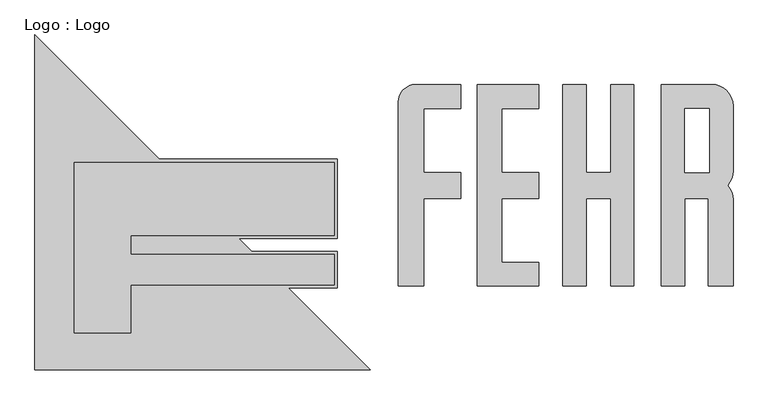
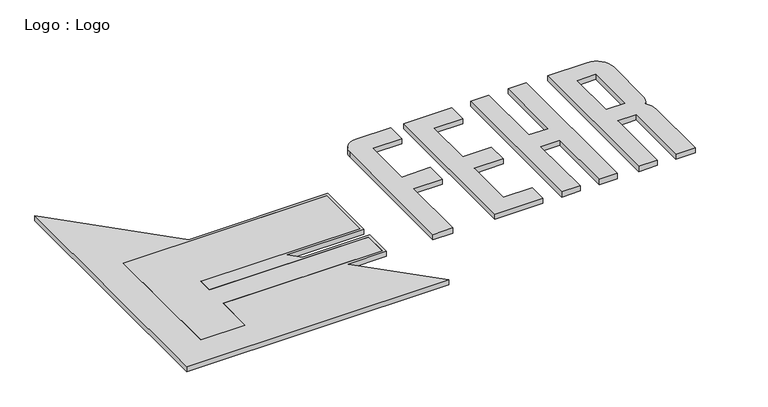
"""IFC4 building model written with IfcOpenShell, lengths in millimetres: proxy geometry, Logo : Logo."""

from ifc_helpers import new_model, si_unit, point, frame_2d, origin, origin_with_axes, place, context, project, spatial, polyline, circle_curve, trimmed, segment, composite_curve, outline, extrude, source, transform, mapped, element, save


def logo_logo_4f3515d3(model_context):
    return source(origin(), model_context, "Body", "SweptSolid", [
        extrude(outline(composite_curve([segment(polyline([(2667.8991009, 3991.6754913), (2929.6340726, 3991.6754913), (2929.6340726, 3849.8401629), (2713.3324777, 3849.8401629), (2713.3324777, 3474.9896621), (2929.6340726, 3474.9896621), (2929.6340726, 3323.0232519), (2713.3324777, 3323.0232519), (2713.3324777, 2810.6190547), (2564.6251206, 2810.6190547), (2564.6251206, 3888.401511)]), True, "CONTINUOUS"), segment(trimmed(circle_curve(frame_2d((2667.8991009, 3888.401511)), 103.2739803), [point((2564.6251206, 3888.401511))], [point((2667.8991009, 3991.6754913))], False, "CARTESIAN"), True, "CONTINUOUS")], self_intersect=False)), origin_with_axes(), (0.0, 0.0, 1.0), 40.0),
        extrude(outline(composite_curve([segment(polyline([(4524.85842, 3866.3209691), (4524.85842, 3485.2555823)]), True, "CONTINUOUS"), segment(trimmed(circle_curve(frame_2d((4399.5038978, 3485.2555823)), 125.3545222), [point((4524.85842, 3485.2555823))], [point((4492.1330677, 3400.7949813))], False, "CARTESIAN"), True, "CONTINUOUS"), segment(trimmed(circle_curve(frame_2d((4399.5038978, 3316.3343804)), 125.3545222), [point((4492.1330677, 3400.7949813))], [point((4524.85842, 3316.3343804))], False, "CARTESIAN"), True, "CONTINUOUS"), segment(polyline([(4524.85842, 3316.3343804), (4524.85842, 2810.6190547), (4379.5307886, 2810.6190547), (4379.5307886, 3323.0232519), (4243.1131302, 3323.0232519), (4243.1131302, 2810.6190547), (4103.4248018, 2810.6190547), (4103.4248018, 3991.6754913), (4399.5038978, 3991.6754913)]), True, "CONTINUOUS"), segment(trimmed(circle_curve(frame_2d((4399.5038978, 3866.3209691)), 125.3545222), [point((4399.5038978, 3991.6754913))], [point((4524.85842, 3866.3209691))], False, "CARTESIAN"), True, "CONTINUOUS")], self_intersect=False), holes=[polyline([(4243.1131302, 3849.8401629), (4243.1131302, 3474.9896621), (4383.9073121, 3474.9896621), (4383.9073121, 3849.8401629), (4243.1131302, 3849.8401629)])]), origin_with_axes(), (0.0, 0.0, 1.0), 40.0),
        extrude(outline(polyline([(3664.4242665, 3991.6754913), (3664.4242665, 3474.9896621), (3809.5510427, 3474.9896621), (3809.5510427, 3991.6754913), (3944.1605792, 3991.6754913), (3944.1605792, 2810.6190547), (3809.5510427, 2810.6190547), (3809.5510427, 3323.0232519), (3664.4242665, 3323.0232519), (3664.4242665, 2810.6190547), (3527.4437323, 2810.6190547), (3527.4437323, 3991.6754913), (3664.4242665, 3991.6754913)])), origin_with_axes(), (0.0, 0.0, 1.0), 40.0),
        extrude(outline(polyline([(3385.8952786, 3991.6754913), (3385.8952786, 3849.8401629), (3169.5936624, 3849.8401629), (3169.5936624, 3474.9896621), (3385.8952786, 3474.9896621), (3385.8952786, 3323.0232519), (3169.5936624, 3323.0232519), (3169.5936624, 2948.1727511), (3385.8952786, 2948.1727511), (3385.8952786, 2810.6190547), (3027.6457355, 2810.6190547), (3027.6457355, 3991.6754913), (3385.8952786, 3991.6754913)])), origin_with_axes(), (0.0, 0.0, 1.0), 40.0),
        extrude(outline(polyline([(1629.9441284, 3088.5025641), (1705.603805, 3012.7515003), (2207.0791029, 3012.7515003), (2207.0791029, 2797.9620223), (1920.1341577, 2797.9620223), (2399.5967104, 2317.9203403), (437.4851772, 2317.9203403), (437.4851772, 4282.401853), (1165.7153793, 3553.292042), (2207.0791029, 3553.292042), (2207.0791029, 3088.5025641), (1629.9441284, 3088.5025641)]), holes=[polyline([(667.1710757, 3534.8612648), (667.1710757, 2534.8612648), (998.5150049, 2534.8612648), (998.5150049, 2816.3927996), (2188.6483257, 2816.3927996), (2188.6483257, 2994.320723), (998.5150049, 2994.320723), (998.5150049, 3106.9333413), (2188.6483257, 3106.9333413), (2188.6483257, 3534.8612648), (667.1710757, 3534.8612648)])]), origin_with_axes(), (0.0, 0.0, 1.0), 40.0),
        extrude(outline(polyline([(667.1710757, 3534.8612648), (2188.6483257, 3534.8612648), (2188.6483257, 3106.9333413), (998.5150049, 3106.9333413), (998.5150049, 2994.320723), (2188.6483257, 2994.320723), (2188.6483257, 2816.3927996), (998.5150049, 2816.3927996), (998.5150049, 2534.8612648), (667.1710757, 2534.8612648), (667.1710757, 3534.8612648)])), origin_with_axes(), (0.0, 0.0, 1.0), 40.0),
    ])


if __name__ == "__main__":
    model = new_model("IFC4")
    model_context = context("Model", 3, world=origin())
    ifc_project = project(units=[si_unit("LENGTHUNIT", "METRE", prefix="MILLI")], contexts=[model_context])
    site = spatial("IfcSite", under=ifc_project)
    building = spatial("IfcBuilding", under=site)
    placement = place(None, origin())
    logo_logo_shape = logo_logo_4f3515d3(model_context)
    element("IfcBuildingElementProxy", 1, Name="Logo : Logo", ObjectType="Logo : Logo", at=placement, inside=building, context=model_context, shape_type="MappedRepresentation", body=[
        mapped(logo_logo_shape, transform((0.0, 0.0, 0.0), x_axis=(1.0, 0.0, 0.0), y_axis=(0.0, 1.0, 0.0), z_axis=(0.0, 0.0, 1.0))),
    ])
    save(model, "model.ifc")
